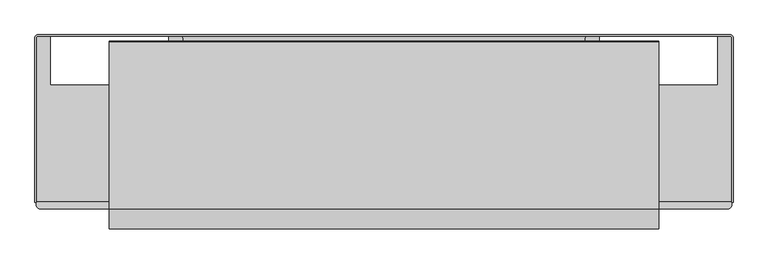
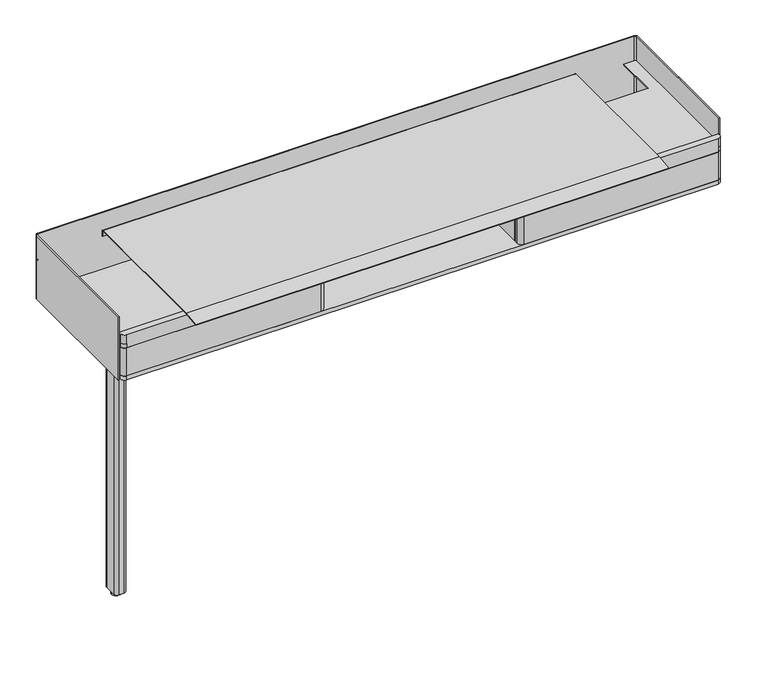
"""IFC4 building model written with IfcOpenShell, lengths in millimetres: furniture geometry."""

from ifc_helpers import new_model, si_unit, point, frame, frame_2d, origin, origin_with_axes, place, context, project, spatial, polyline, circle_curve, trimmed, segment, composite_curve, outline, extrude, source, transform, mapped, element, save
from ifc_brep_helpers import plane_surface, cylinder_surface, advanced_brep


def furniture_16a4bd94(model_context):
    return source(origin(), model_context, "Body", "SolidModel", [
        extrude(outline(composite_curve([segment(trimmed(circle_curve(frame_2d((-800.1, -260.35)), 13.6023831), [point((-813.7023831, -260.35))], [point((-786.4976169, -260.35))], False, "CARTESIAN"), True, "CONTINUOUS"), segment(trimmed(circle_curve(frame_2d((-800.1, -260.35)), 13.6023831), [point((-786.4976169, -260.35))], [point((-813.7023831, -260.35))], False, "CARTESIAN"), True, "CONTINUOUS")], self_intersect=False)), origin_with_axes(), (0.0, 0.0, 1.0), 12.7),
        extrude(outline(composite_curve([segment(trimmed(circle_curve(frame_2d((-792.1625, -242.09375)), 9.525), [point((-792.1625, -232.56875))], [point((-782.6375, -242.09375))], False, "CARTESIAN"), True, "CONTINUOUS"), segment(polyline([(-782.6375, -242.09375), (-782.6375, -278.60625)]), True, "CONTINUOUS"), segment(trimmed(circle_curve(frame_2d((-792.1625, -278.60625)), 9.525), [point((-782.6375, -278.60625))], [point((-792.1625, -288.13125))], False, "CARTESIAN"), True, "CONTINUOUS"), segment(polyline([(-792.1625, -288.13125), (-808.0375, -288.13125)]), True, "CONTINUOUS"), segment(trimmed(circle_curve(frame_2d((-808.0375, -278.60625)), 9.525), [point((-808.0375, -288.13125))], [point((-817.5625, -278.60625))], False, "CARTESIAN"), True, "CONTINUOUS"), segment(polyline([(-817.5625, -278.60625), (-817.5625, -242.09375)]), True, "CONTINUOUS"), segment(trimmed(circle_curve(frame_2d((-808.0375, -242.09375)), 9.525), [point((-817.5625, -242.09375))], [point((-808.0375, -232.56875))], False, "CARTESIAN"), True, "CONTINUOUS"), segment(polyline([(-808.0375, -232.56875), (-792.1625, -232.56875)]), True, "CONTINUOUS")], self_intersect=False)), frame((0.0, 0.0, 12.7), z_axis=(0.0, 0.0, 1.0), x_axis=(1.0, 0.0, 0.0)), (0.0, 0.0, 1.0), 838.2),
        extrude(outline(composite_curve([segment(trimmed(circle_curve(frame_2d((-315.595017, 838.2)), 3.175), [point((-315.595017, 835.025))], [point((-318.770017, 838.2))], False, "CARTESIAN"), True, "CONTINUOUS"), segment(polyline([(-318.770017, 838.2), (-318.770017, 847.9155407)]), True, "CONTINUOUS"), segment(trimmed(circle_curve(frame_2d((-320.357517, 847.9155407)), 1.5875), [point((-318.770017, 847.9155407))], [point((-320.357517, 849.5030407))], True, "CARTESIAN"), True, "CONTINUOUS"), segment(polyline([(-320.357517, 849.5030407), (-334.5180201, 849.5030407), (-334.5180201, 851.0270029), (-320.4210184, 851.0270029)]), True, "CONTINUOUS"), segment(trimmed(circle_curve(frame_2d((-320.4210184, 847.8520029)), 3.175), [point((-320.4210184, 851.0270029))], [point((-317.2460184, 847.8520029))], False, "CARTESIAN"), True, "CONTINUOUS"), segment(polyline([(-317.2460184, 847.8520029), (-317.2460184, 838.1365349)]), True, "CONTINUOUS"), segment(trimmed(circle_curve(frame_2d((-315.6585184, 838.1365349)), 1.5875), [point((-317.2460184, 838.1365349))], [point((-315.6585184, 836.5490349))], True, "CARTESIAN"), True, "CONTINUOUS"), segment(polyline([(-315.6585184, 836.5490349), (-274.3835063, 836.5490349)]), True, "CONTINUOUS"), segment(trimmed(circle_curve(frame_2d((-274.3835063, 838.1365349)), 1.5875), [point((-274.3835063, 836.5490349))], [point((-272.7960063, 838.1365349))], True, "CARTESIAN"), True, "CONTINUOUS"), segment(polyline([(-272.7960063, 838.1365349), (-272.7960063, 847.8520029)]), True, "CONTINUOUS"), segment(trimmed(circle_curve(frame_2d((-269.6210063, 847.8520029)), 3.175), [point((-272.7960063, 847.8520029))], [point((-269.6210063, 851.0270029))], False, "CARTESIAN"), True, "CONTINUOUS"), segment(polyline([(-269.6210063, 851.0270029), (-255.5240228, 851.0270029), (-255.5240228, 849.5030407), (-269.6845078, 849.5030407)]), True, "CONTINUOUS"), segment(trimmed(circle_curve(frame_2d((-269.6845078, 847.9155407)), 1.5875), [point((-269.6845078, 849.5030407))], [point((-271.2720078, 847.9155407))], True, "CARTESIAN"), True, "CONTINUOUS"), segment(polyline([(-271.2720078, 847.9155407), (-271.2720078, 838.2)]), True, "CONTINUOUS"), segment(trimmed(circle_curve(frame_2d((-274.4470078, 838.2)), 3.175), [point((-271.2720078, 838.2))], [point((-274.4470078, 835.025))], False, "CARTESIAN"), True, "CONTINUOUS"), segment(polyline([(-274.4470078, 835.025), (-315.595017, 835.025)]), True, "CONTINUOUS")], self_intersect=False)), frame((-598.4875, 0.0, 0.0), z_axis=(1.0, 0.0, 0.0), x_axis=(0.0, 1.0, 0.0)), (0.0, 0.0, 1.0), 1196.975),
        extrude(outline(composite_curve([segment(polyline([(-540.5872772, 1000.5493443), (-540.8524136, 1002.435857), (-490.3475431, 1009.5339703), (-51.1737385, 1009.5339703)]), True, "CONTINUOUS"), segment(trimmed(circle_curve(frame_2d((-51.1737385, 1006.5440323)), 2.9899379), [point((-51.1737385, 1009.5339703))], [point((-48.1838005, 1006.5440323))], False, "CARTESIAN"), True, "CONTINUOUS"), segment(polyline([(-48.1838005, 1006.5440323), (-48.1838005, 989.2139896), (-50.0887998, 989.2139896), (-50.0887998, 1006.6125916)]), True, "CONTINUOUS"), segment(trimmed(circle_curve(frame_2d((-51.105207, 1006.6125916)), 1.0164071), [point((-50.0887998, 1006.6125916))], [point((-51.1052293, 1007.6289988))], True, "CARTESIAN"), True, "CONTINUOUS"), segment(polyline([(-51.1052293, 1007.6289988), (-490.2825111, 1007.6193342), (-540.5872772, 1000.5493443)]), True, "CONTINUOUS")], self_intersect=False)), frame((-719.1375, 0.0, 0.0), z_axis=(1.0, 0.0, 0.0), x_axis=(0.0, 1.0, 0.0)), (0.0, 0.0, 1.0), 1438.275),
        extrude(outline(composite_curve([segment(polyline([(-564.3244993, -35.9409999), (-533.3682493, -35.9409999)]), True, "CONTINUOUS"), segment(trimmed(circle_curve(frame_2d((-533.3682493, -42.2909999)), 6.35), [point((-533.3682493, -35.9409999))], [point((-527.0182493, -42.2909999))], False, "CARTESIAN"), True, "CONTINUOUS"), segment(polyline([(-527.0182493, -42.2909999), (-527.0182493, -469.8999858), (-911.225, -469.8999858), (-911.225, -42.2909999)]), True, "CONTINUOUS"), segment(trimmed(circle_curve(frame_2d((-904.875, -42.2909999)), 6.35), [point((-911.225, -42.2909999))], [point((-904.875, -35.9409999))], False, "CARTESIAN"), True, "CONTINUOUS"), segment(polyline([(-904.875, -35.9409999), (-873.9237324, -35.9409999), (-873.9237324, -163.4489964), (-564.3244993, -163.4489964), (-564.3244993, -35.9409999)]), True, "CONTINUOUS")], self_intersect=False)), frame((0.0, 0.0, 973.1375), z_axis=(0.0, 0.0, 1.0), x_axis=(1.0, 0.0, 0.0)), (0.0, 0.0, 1.0), 2.9765625),
        extrude(outline(composite_curve([segment(polyline([(564.3244993, -35.9409999), (564.3244993, -163.4489964), (873.9237324, -163.4489964), (873.9237324, -35.9409999), (904.875, -35.9409999)]), True, "CONTINUOUS"), segment(trimmed(circle_curve(frame_2d((904.875, -42.2909999)), 6.35), [point((904.875, -35.9409999))], [point((911.225, -42.2909999))], False, "CARTESIAN"), True, "CONTINUOUS"), segment(polyline([(911.225, -42.2909999), (911.225, -469.8999858), (527.0182493, -469.8999858), (527.0182493, -42.2909999)]), True, "CONTINUOUS"), segment(trimmed(circle_curve(frame_2d((533.3682493, -42.2909999)), 6.35), [point((527.0182493, -42.2909999))], [point((533.3682493, -35.9409999))], False, "CARTESIAN"), True, "CONTINUOUS"), segment(polyline([(533.3682493, -35.9409999), (564.3244993, -35.9409999)]), True, "CONTINUOUS")], self_intersect=False)), frame((0.0, 0.0, 973.1375), z_axis=(0.0, 0.0, 1.0), x_axis=(1.0, 0.0, 0.0)), (0.0, 0.0, 1.0), 2.9765625),
        extrude(outline(composite_curve([segment(trimmed(circle_curve(frame_2d((-906.1648437, -39.9851563)), 8.2351562), [point((-914.4, -39.9851563))], [point((-906.1648437, -31.75))], False, "CARTESIAN"), True, "CONTINUOUS"), segment(polyline([(-906.1648437, -31.75), (906.1648438, -31.75)]), True, "CONTINUOUS"), segment(trimmed(circle_curve(frame_2d((906.1648438, -39.9851563)), 8.2351563), [point((906.1648438, -31.75))], [point((914.4, -39.9851563))], False, "CARTESIAN"), True, "CONTINUOUS"), segment(polyline([(914.4, -39.9851563), (914.4, -471.4748312), (911.225, -471.4748312), (911.225, -39.9851563)]), True, "CONTINUOUS"), segment(trimmed(circle_curve(frame_2d((906.1648438, -39.9851563)), 5.0601563), [point((911.225, -39.9851563))], [point((906.1648438, -34.925))], True, "CARTESIAN"), True, "CONTINUOUS"), segment(polyline([(906.1648438, -34.925), (-906.1648437, -34.925)]), True, "CONTINUOUS"), segment(trimmed(circle_curve(frame_2d((-906.1648437, -39.9851563)), 5.0601563), [point((-906.1648437, -34.925))], [point((-911.225, -39.9851563))], True, "CARTESIAN"), True, "CONTINUOUS"), segment(polyline([(-911.225, -39.9851563), (-911.225, -471.4748312), (-914.4, -471.4748312), (-914.4, -39.9851563)]), True, "CONTINUOUS")], self_intersect=False)), frame((0.0, 0.0, 850.9), z_axis=(0.0, 0.0, 1.0), x_axis=(1.0, 0.0, 0.0)), (0.0, 0.0, 1.0), 203.2),
        extrude(outline(composite_curve([segment(polyline([(898.525, -488.95), (-898.525, -488.95)]), True, "CONTINUOUS"), segment(trimmed(circle_curve(frame_2d((-898.525, -476.25)), 12.7), [point((-898.525, -488.95))], [point((-911.225, -476.25))], False, "CARTESIAN"), True, "CONTINUOUS"), segment(polyline([(-911.225, -476.25), (-911.225, -166.1160172), (-567.5109085, -166.1160172)]), True, "CONTINUOUS"), segment(trimmed(circle_curve(frame_2d((-567.5109085, -158.9722672)), 7.14375), [point((-567.5109085, -166.1160172))], [point((-560.3671585, -158.9722672))], True, "CARTESIAN"), True, "CONTINUOUS"), segment(polyline([(-560.3671585, -158.9722672), (-560.3671585, -34.925), (560.3671948, -34.925), (560.3671948, -158.9722672)]), True, "CONTINUOUS"), segment(trimmed(circle_curve(frame_2d((567.5109448, -158.9722672)), 7.14375), [point((560.3671948, -158.9722672))], [point((567.5109448, -166.1160172))], True, "CARTESIAN"), True, "CONTINUOUS"), segment(polyline([(567.5109448, -166.1160172), (911.225, -166.1160172), (911.225, -476.25)]), True, "CONTINUOUS"), segment(trimmed(circle_curve(frame_2d((898.525, -476.25)), 12.7), [point((911.225, -476.25))], [point((898.525, -488.95))], False, "CARTESIAN"), True, "CONTINUOUS")], self_intersect=False)), frame((0.0, 0.0, 857.2500242), z_axis=(0.0, 0.0, 1.0), x_axis=(1.0, 0.0, 0.0)), (0.0, 0.0, 1.0), 12.6999516),
        extrude(outline(composite_curve([segment(polyline([(865.1875, -457.2000121), (-865.1875, -457.2000121)]), True, "CONTINUOUS"), segment(trimmed(circle_curve(frame_2d((-865.1875, -444.5000121)), 12.7), [point((-865.1875, -457.2000121))], [point((-877.8875, -444.5000121))], False, "CARTESIAN"), True, "CONTINUOUS"), segment(polyline([(-877.8875, -444.5000121), (-877.8875, -166.1160172), (-567.5109085, -166.1160172)]), True, "CONTINUOUS"), segment(trimmed(circle_curve(frame_2d((-567.5109085, -158.9722672)), 7.14375), [point((-567.5109085, -166.1160172))], [point((-560.3671585, -158.9722672))], True, "CARTESIAN"), True, "CONTINUOUS"), segment(polyline([(-560.3671585, -158.9722672), (-560.3671585, -35.1790143), (560.3671948, -35.1790143), (560.3671948, -158.9722672)]), True, "CONTINUOUS"), segment(trimmed(circle_curve(frame_2d((567.5109448, -158.9722672)), 7.14375), [point((560.3671948, -158.9722672))], [point((567.5109448, -166.1160172))], True, "CARTESIAN"), True, "CONTINUOUS"), segment(polyline([(567.5109448, -166.1160172), (877.8875, -166.1160172), (877.8875, -444.5000121)]), True, "CONTINUOUS"), segment(trimmed(circle_curve(frame_2d((865.1875, -444.5000121)), 12.7), [point((877.8875, -444.5000121))], [point((865.1875, -457.2000121))], False, "CARTESIAN"), True, "CONTINUOUS")], self_intersect=False)), frame((0.0, 0.0, 850.9), z_axis=(0.0, 0.0, 1.0), x_axis=(1.0, 0.0, 0.0)), (0.0, 0.0, 1.0), 6.3500242),
        extrude(outline(composite_curve([segment(trimmed(circle_curve(frame_2d((-307.975, -476.25)), 12.7), [point((-295.275, -476.25))], [point((-307.975, -488.95))], False, "CARTESIAN"), True, "CONTINUOUS"), segment(polyline([(-307.975, -488.95), (-898.525, -488.95)]), True, "CONTINUOUS"), segment(trimmed(circle_curve(frame_2d((-898.525, -476.25)), 12.7), [point((-898.525, -488.95))], [point((-911.225, -476.25))], False, "CARTESIAN"), True, "CONTINUOUS"), segment(polyline([(-911.225, -476.25), (-911.225, -468.775168), (-295.275, -468.775168), (-295.275, -476.25)]), True, "CONTINUOUS")], self_intersect=False)), frame((0.0, 0.0, 869.9499758), z_axis=(0.0, 0.0, 1.0), x_axis=(1.0, 0.0, 0.0)), (0.0, 0.0, 1.0), 90.4875),
        extrude(outline(composite_curve([segment(polyline([(295.275, -476.25), (295.275, -468.775168), (911.225, -468.775168), (911.225, -476.25)]), True, "CONTINUOUS"), segment(trimmed(circle_curve(frame_2d((898.525, -476.25)), 12.7), [point((911.225, -476.25))], [point((898.525, -488.95))], False, "CARTESIAN"), True, "CONTINUOUS"), segment(polyline([(898.525, -488.95), (307.975, -488.95)]), True, "CONTINUOUS"), segment(trimmed(circle_curve(frame_2d((307.975, -476.25)), 12.7), [point((307.975, -488.95))], [point((295.275, -476.25))], False, "CARTESIAN"), True, "CONTINUOUS")], self_intersect=False)), frame((0.0, 0.0, 869.9499758), z_axis=(0.0, 0.0, 1.0), x_axis=(1.0, 0.0, 0.0)), (0.0, 0.0, 1.0), 90.4875),
        advanced_brep(
        [(911.225, -166.1160172, 973.1375), (-911.225, -166.1160172, 973.1375), (-911.225, -469.8999858, 973.1375), (911.225, -469.8999858, 973.1375), (-911.225, -166.1160172, 960.4374758), (911.225, -166.1160172, 960.4374758), (911.225, -476.25, 960.4374758), (898.525, -488.95, 960.4374758), (-898.525, -488.95, 960.4374758), (-911.225, -476.25, 960.4374758), (-911.225, -476.25, 973.1375), (-911.225, -476.25, 1002.50625), (-911.225, -469.8999858, 1002.50625), (-898.525, -488.95, 973.1375), (898.525, -488.95, 973.1375), (898.525, -488.95, 1002.50625), (-898.525, -488.95, 1002.50625), (911.225, -476.25, 973.1375), (911.225, -469.8999858, 1002.50625), (911.225, -476.25, 1002.50625)],
        [
            (0, 1),
            (1, 2),
            (2, 3),
            (3, 0),
            (4, 5),
            (5, 6),
            (6, 7, circle_curve(frame((898.525, -476.25, 960.4374758), z_axis=(0.0, 0.0, -1.0), x_axis=(1.0, 0.0, 0.0)), 12.7)),
            (7, 8),
            (8, 9, circle_curve(frame((-898.525, -476.25, 960.4374758), z_axis=(0.0, 0.0, -1.0), x_axis=(1.0, 0.0, 0.0)), 12.7)),
            (9, 4),
            (9, 10),
            (10, 11),
            (11, 12),
            (12, 2),
            (1, 4),
            (8, 13),
            (13, 10, circle_curve(frame((-898.525, -476.25, 973.1375), z_axis=(0.0, 0.0, -1.0), x_axis=(1.0, 0.0, 0.0)), 12.7)),
            (7, 14),
            (14, 15),
            (15, 16),
            (16, 13),
            (6, 17),
            (17, 14, circle_curve(frame((898.525, -476.25, 973.1375), z_axis=(0.0, 0.0, -1.0), x_axis=(1.0, 0.0, 0.0)), 12.7)),
            (5, 0),
            (3, 18),
            (18, 19),
            (19, 17),
            (11, 16, circle_curve(frame((-898.525, -476.25, 1002.50625), z_axis=(0.0, 0.0, 1.0), x_axis=(1.0, 0.0, 0.0)), 12.7)),
            (15, 19, circle_curve(frame((898.525, -476.25, 1002.50625), z_axis=(0.0, 0.0, 1.0), x_axis=(1.0, 0.0, 0.0)), 12.7)),
            (18, 12),
        ],
        [
            plane_surface(frame((-911.225, -476.25, 973.1375), z_axis=(0.0, 0.0, 1.0), x_axis=(0.0, -1.0, 0.0))),
            plane_surface(frame((-911.225, -476.25, 960.4374758), z_axis=(0.0, 0.0, -1.0), x_axis=(0.0, 1.0, 0.0))),
            plane_surface(frame((-911.225, -166.1160172, 973.1375), z_axis=(-1.0, 0.0, 0.0), x_axis=(0.0, 0.0, -1.0))),
            cylinder_surface(frame((-898.525, -476.25, 960.4374758), z_axis=(0.0, 0.0, 1.0), x_axis=(1.0, 0.0, 0.0)), 12.7),
            plane_surface(frame((-898.525, -488.95, 973.1375), z_axis=(0.0, -1.0, 0.0), x_axis=(0.0, 0.0, -1.0))),
            cylinder_surface(frame((898.525, -476.25, 960.4374758), z_axis=(0.0, 0.0, 1.0), x_axis=(1.0, 0.0, 0.0)), 12.7),
            plane_surface(frame((911.225, -476.25, 973.1375), z_axis=(1.0, 0.0, 0.0), x_axis=(0.0, 0.0, -1.0))),
            plane_surface(frame((911.225, -166.1160172, 973.1375), z_axis=(0.0, 1.0, 0.0), x_axis=(0.0, 0.0, -1.0))),
            plane_surface(frame((-911.225, -476.25, 1002.50625), z_axis=(0.0, 0.0, 1.0), x_axis=(-7.929639144560415e-12, -1.0, 0.0))),
            cylinder_surface(frame((-898.525, -476.25, 973.1375), z_axis=(0.0, 0.0, 1.0), x_axis=(1.0, 0.0, 0.0)), 12.7),
            cylinder_surface(frame((898.525, -476.25, 973.1375), z_axis=(0.0, 0.0, 1.0), x_axis=(1.0, 0.0, 0.0)), 12.7),
            plane_surface(frame((911.225, -469.8999858, 1002.50625), z_axis=(0.0, 1.0, 0.0), x_axis=(0.0, 0.0, -1.0))),
        ],
        [
            (0, [[1, 2, 3, 4]]),
            (1, [[5, 6, 7, 8, 9, 10]]),
            (2, [[-10, 11, 12, 13, 14, -2, 15]]),
            (3, [[-9, 16, 17, -11]]),
            (4, [[-8, 18, 19, 20, 21, -16]]),
            (5, [[-7, 22, 23, -18]]),
            (6, [[-6, 24, -4, 25, 26, 27, -22]]),
            (7, [[-1, -24, -5, -15]]),
            (8, [[-13, 28, -20, 29, -26, 30]]),
            (9, [[-28, -12, -17, -21]]),
            (10, [[-29, -19, -23, -27]]),
            (11, [[-30, -25, -3, -14]]),
        ],
    ),
        extrude(outline(polyline([(-295.275, -185.0643922), (-295.275, -464.4644306), (-314.325, -464.4644306), (-314.325, -185.0643922), (-295.275, -185.0643922)])), frame((0.0, 0.0, 869.9499758), z_axis=(0.0, 0.0, 1.0), x_axis=(1.0, 0.0, 0.0)), (0.0, 0.0, 1.0), 90.4875),
        extrude(outline(polyline([(295.275, -185.0643922), (314.325, -185.0643922), (314.325, -464.4644306), (295.275, -464.4644306), (295.275, -185.0643922)])), frame((0.0, 0.0, 869.9499758), z_axis=(0.0, 0.0, 1.0), x_axis=(1.0, 0.0, 0.0)), (0.0, 0.0, 1.0), 90.4875),
    ])


if __name__ == "__main__":
    model = new_model("IFC4")
    model_context = context("Model", 3, world=origin())
    ifc_project = project(units=[si_unit("LENGTHUNIT", "METRE", prefix="MILLI")], contexts=[model_context])
    site = spatial("IfcSite", under=ifc_project)
    building = spatial("IfcBuilding", under=site)
    placement = place(None, origin())
    furniture_shape = furniture_16a4bd94(model_context)
    element("IfcFurniture", 1, at=placement, inside=building, context=model_context, shape_type="MappedRepresentation", body=[
        mapped(furniture_shape, transform((0.0, 0.0, 0.0), x_axis=(1.0, 0.0, 0.0), y_axis=(0.0, 1.0, 0.0), z_axis=(0.0, 0.0, 1.0))),
    ])
    save(model, "model.ifc")
